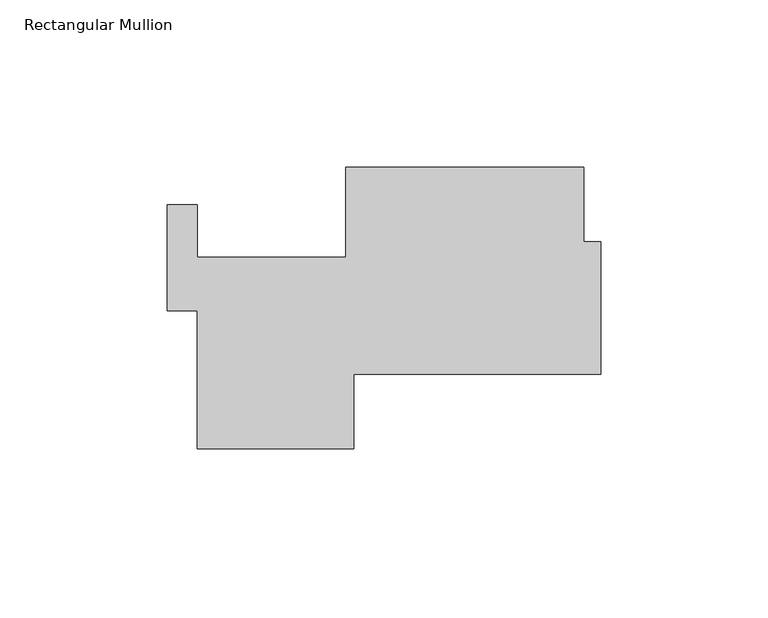
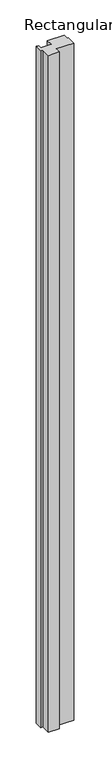
"""IFC4 building model written with IfcOpenShell, lengths in millimetres: member geometry, Rectangular Mullion."""

from ifc_helpers import new_model, si_unit, frame, origin, place, context, project, spatial, polyline, outline, extrude, source, transform, mapped, element, save


def rectangular_mullion_c54adb81(model_context):
    return source(origin(), model_context, "Body", "SweptSolid", [
        extrude(outline(polyline([(-5.0839665, 71.4375), (0.0, 71.4375), (0.0, 31.75), (-73.9179664, 31.75), (-73.9179664, 9.525), (-120.6539664, 9.525), (-120.6539664, 50.7586685), (-129.6201665, 50.7586685), (-129.6201665, 82.5086685), (-120.7053297, 82.5086685), (-120.7053297, 66.675), (-76.2039665, 66.675), (-76.2039665, 93.6625), (-5.0839665, 93.6625), (-5.0839665, 71.4375)])), frame((0.0, 0.0, -3048.0), z_axis=(0.0, 0.0, 1.0), x_axis=(1.0, 0.0, 0.0)), (0.0, 0.0, 1.0), 3048.0),
    ])


if __name__ == "__main__":
    model = new_model("IFC4")
    model_context = context("Model", 3, world=origin())
    ifc_project = project(units=[si_unit("LENGTHUNIT", "METRE", prefix="MILLI")], contexts=[model_context])
    site = spatial("IfcSite", under=ifc_project)
    building = spatial("IfcBuilding", under=site)
    placement = place(None, origin())
    rectangular_mullion_shape = rectangular_mullion_c54adb81(model_context)
    element("IfcMember", 1, ObjectType="Rectangular Mullion", at=placement, inside=building, context=model_context, shape_type="MappedRepresentation", body=[
        mapped(rectangular_mullion_shape, transform((0.0, 0.0, 0.0), x_axis=(1.0, 0.0, 0.0), y_axis=(0.0, 1.0, 0.0), z_axis=(0.0, 0.0, 1.0))),
    ])
    save(model, "model.ifc")
